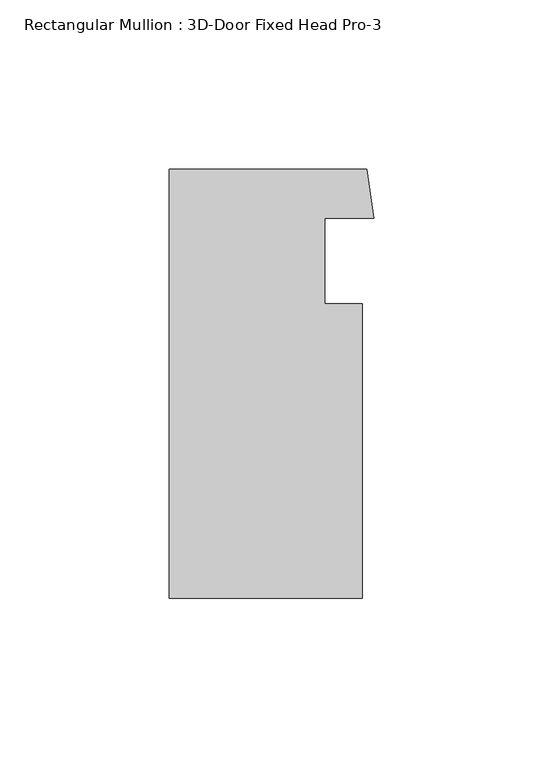
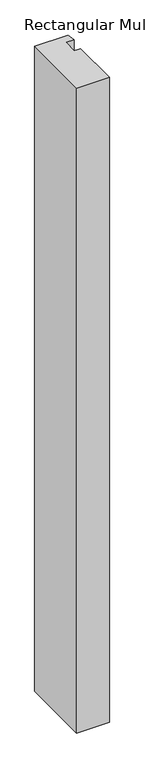
"""IFC4 building model written with IfcOpenShell, lengths in millimetres: member geometry, Rectangular Mullion : 3D-Door Fixed Head Pro-3."""

from ifc_helpers import new_model, si_unit, frame, origin, place, context, project, spatial, polyline, outline, extrude, source, transform, mapped, element, save


def rectangular_mullion_3d_door_fixed_head_pro_3_1046f1b3(model_context):
    return source(origin(), model_context, "Body", "SweptSolid", [
        extrude(outline(polyline([(29.8793093, 53.9750004), (31.9381635, 39.4486401), (17.439127, 39.4486401), (17.439127, 14.064274), (28.538927, 14.064274), (28.538927, -73.0250004), (-28.611073, -73.0250004), (-28.611073, 53.9750004), (29.8793093, 53.9750004)])), frame((0.0, 0.0, -1190.625), z_axis=(0.0, 0.0, 1.0), x_axis=(1.0, 0.0, 0.0)), (0.0, 0.0, 1.0), 1190.625),
    ])


if __name__ == "__main__":
    model = new_model("IFC4")
    model_context = context("Model", 3, world=origin())
    ifc_project = project(units=[si_unit("LENGTHUNIT", "METRE", prefix="MILLI")], contexts=[model_context])
    site = spatial("IfcSite", under=ifc_project)
    building = spatial("IfcBuilding", under=site)
    placement = place(None, origin())
    rectangular_mullion_3d_door_fixed_head_pro_3_shape = rectangular_mullion_3d_door_fixed_head_pro_3_1046f1b3(model_context)
    element("IfcMember", 1, ObjectType="Rectangular Mullion : 3D-Door Fixed Head Pro-3", at=placement, inside=building, context=model_context, shape_type="MappedRepresentation", body=[
        mapped(rectangular_mullion_3d_door_fixed_head_pro_3_shape, transform((0.0, 0.0, 0.0), x_axis=(1.0, 0.0, 0.0), y_axis=(0.0, 1.0, 0.0), z_axis=(0.0, 0.0, 1.0))),
    ])
    save(model, "model.ifc")
